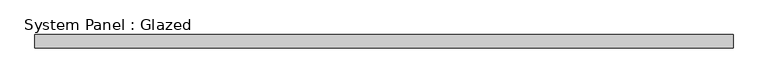
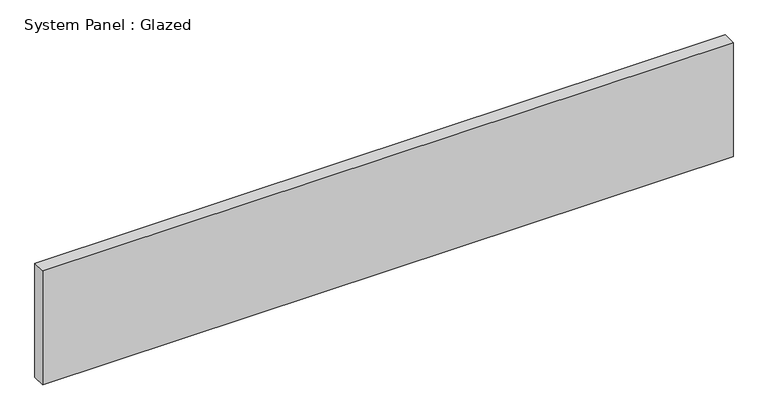
"""IFC4 building model written with IfcOpenShell, lengths in millimetres: plate geometry, System Panel : Glazed."""

from ifc_helpers import new_model, si_unit, origin, origin_with_axes, place, context, project, spatial, polyline, outline, extrude, source, transform, mapped, element, save


def system_panel_glazed_8a4d756c(model_context):
    return source(origin(), model_context, "Body", "SweptSolid", [
        extrude(outline(polyline([(644.5882652, 24.5), (-644.5882652, 24.5), (-644.5882652, 49.5), (644.5882652, 49.5), (644.5882652, 24.5)])), origin_with_axes(), (0.0, 0.0, 1.0), 225.0),
    ])


if __name__ == "__main__":
    model = new_model("IFC4")
    model_context = context("Model", 3, world=origin())
    ifc_project = project(units=[si_unit("LENGTHUNIT", "METRE", prefix="MILLI")], contexts=[model_context])
    site = spatial("IfcSite", under=ifc_project)
    building = spatial("IfcBuilding", under=site)
    placement = place(None, origin())
    system_panel_glazed_shape = system_panel_glazed_8a4d756c(model_context)
    element("IfcPlate", 1, ObjectType="System Panel : Glazed", at=placement, inside=building, context=model_context, shape_type="MappedRepresentation", body=[
        mapped(system_panel_glazed_shape, transform((0.0, 0.0, 0.0), x_axis=(1.0, 0.0, 0.0), y_axis=(0.0, 1.0, 0.0), z_axis=(0.0, 0.0, 1.0))),
    ])
    save(model, "model.ifc")
